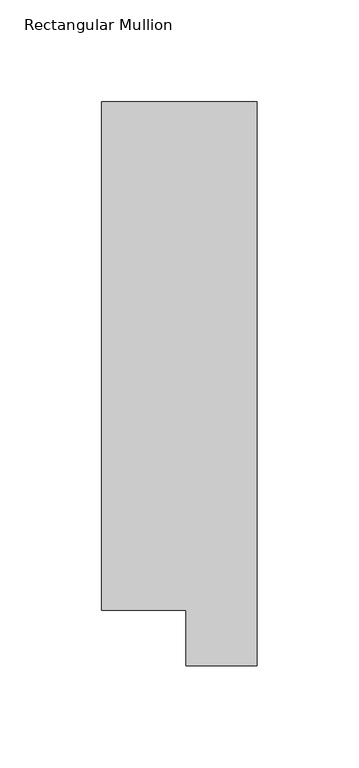
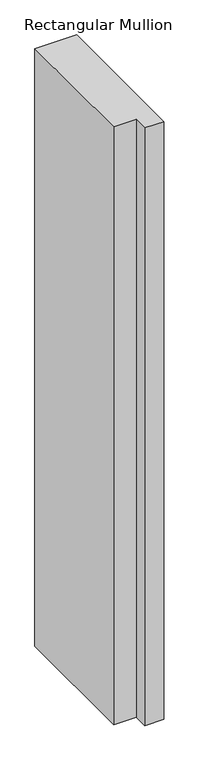
"""IFC4 building model written with IfcOpenShell, lengths in millimetres: member geometry, Rectangular Mullion."""

from ifc_helpers import new_model, si_unit, frame, origin, place, context, project, spatial, polyline, outline, extrude, source, transform, mapped, element, save


def rectangular_mullion_c3b6303a(model_context):
    return source(origin(), model_context, "Body", "SweptSolid", [
        extrude(outline(polyline([(0.0, 295.9695312), (0.0, 19.5667312), (-34.9123, 19.5667312), (-34.9123, 46.7447302), (-76.2, 46.7447302), (-76.2, 295.9695312), (0.0, 295.9695312)])), frame((0.0, 0.0, -1155.6999996), z_axis=(0.0, 0.0, 1.0), x_axis=(1.0, 0.0, 0.0)), (0.0, 0.0, 1.0), 1155.6999996),
    ])


if __name__ == "__main__":
    model = new_model("IFC4")
    model_context = context("Model", 3, world=origin())
    ifc_project = project(units=[si_unit("LENGTHUNIT", "METRE", prefix="MILLI")], contexts=[model_context])
    site = spatial("IfcSite", under=ifc_project)
    building = spatial("IfcBuilding", under=site)
    placement = place(None, origin())
    rectangular_mullion_shape = rectangular_mullion_c3b6303a(model_context)
    element("IfcMember", 1, ObjectType="Rectangular Mullion", at=placement, inside=building, context=model_context, shape_type="MappedRepresentation", body=[
        mapped(rectangular_mullion_shape, transform((0.0, 0.0, 0.0), x_axis=(1.0, 0.0, 0.0), y_axis=(0.0, 1.0, 0.0), z_axis=(0.0, 0.0, 1.0))),
    ])
    save(model, "model.ifc")
